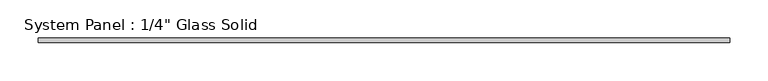
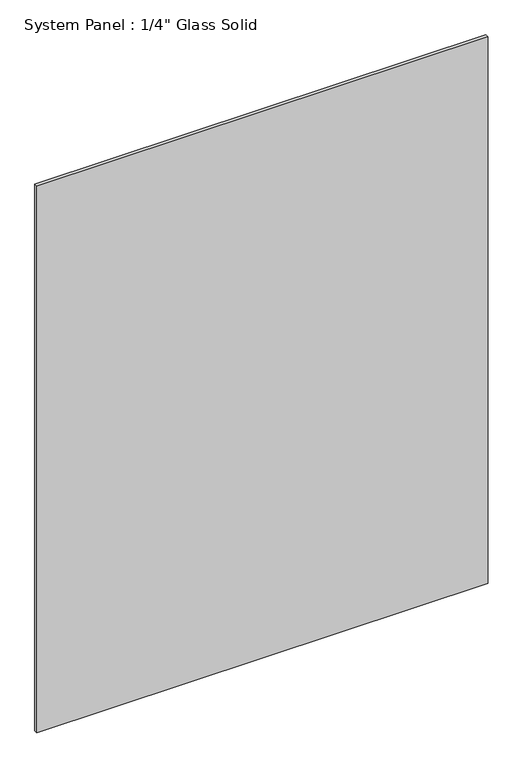
"""IFC4 building model written with IfcOpenShell, lengths in millimetres: plate geometry."""

from ifc_helpers import new_model, si_unit, origin, origin_with_axes, place, context, project, spatial, polyline, outline, extrude, source, transform, mapped, element, save


def plate_57f9dd8b(model_context):
    return source(origin(), model_context, "Body", "SweptSolid", [
        extrude(outline(polyline([(454.6055865, -3.175), (-454.6055865, -3.175), (-454.6055865, 3.175), (454.6055865, 3.175), (454.6055865, -3.175)])), origin_with_axes(), (0.0, 0.0, 1.0), 1164.0691382),
    ])


if __name__ == "__main__":
    model = new_model("IFC4")
    model_context = context("Model", 3, world=origin())
    ifc_project = project(units=[si_unit("LENGTHUNIT", "METRE", prefix="MILLI")], contexts=[model_context])
    site = spatial("IfcSite", under=ifc_project)
    building = spatial("IfcBuilding", under=site)
    placement = place(None, origin())
    plate_shape = plate_57f9dd8b(model_context)
    element("IfcPlate", 1, ObjectType="System Panel : 1/4\" Glass Solid", at=placement, inside=building, context=model_context, shape_type="MappedRepresentation", body=[
        mapped(plate_shape, transform((0.0, 0.0, 0.0), x_axis=(1.0, 0.0, 0.0), y_axis=(0.0, 1.0, 0.0), z_axis=(0.0, 0.0, 1.0))),
    ])
    save(model, "model.ifc")
